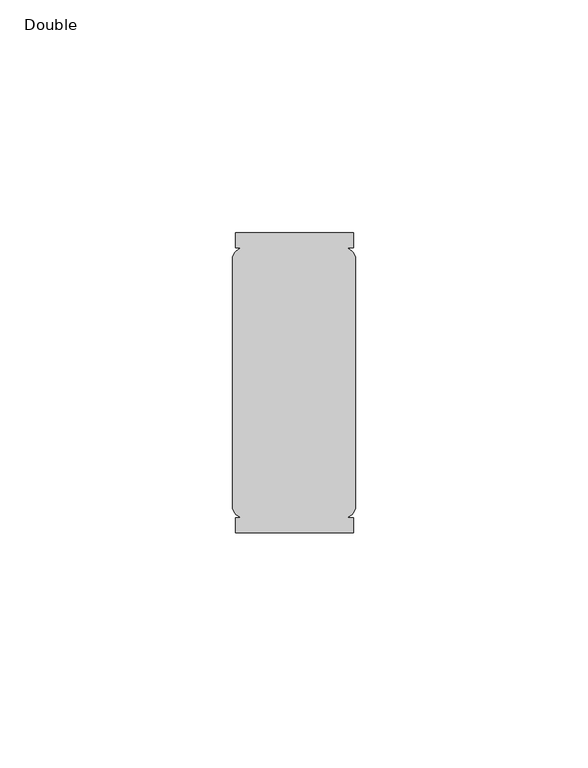
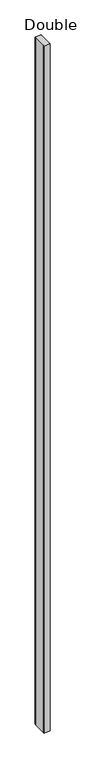
"""IFC4 building model written with IfcOpenShell, lengths in millimetres: furniture geometry, Double."""

from ifc_helpers import new_model, si_unit, point, frame, frame_2d, origin, place, context, project, spatial, polyline, circle_curve, trimmed, segment, composite_curve, outline, extrude, source, transform, mapped, element, save


def double_00490507(model_context):
    return source(origin(), model_context, "Body", "SweptSolid", [
        extrude(outline(composite_curve([segment(polyline([(-13.2844361, -22.5506771), (-13.2844361, 31.4914771)]), True, "CONTINUOUS"), segment(trimmed(circle_curve(frame_2d((-10.5835219, 30.7762858)), 2.794), [point((-13.2844361, 31.4914771))], [point((-11.2987132, 33.4772))], False, "CARTESIAN"), True, "CONTINUOUS"), segment(polyline([(-11.2987132, 33.4772), (-12.7, 33.4772), (-12.7, 36.6522), (12.7, 36.6522), (12.7, 33.4772), (11.0532868, 33.4772)]), True, "CONTINUOUS"), segment(trimmed(circle_curve(frame_2d((10.3380955, 30.7762858)), 2.794), [point((11.0532868, 33.4772))], [point((13.0390096, 31.4914771))], False, "CARTESIAN"), True, "CONTINUOUS"), segment(polyline([(13.0390096, 31.4914771), (13.0390096, -22.5506771)]), True, "CONTINUOUS"), segment(trimmed(circle_curve(frame_2d((10.3380955, -21.8354858)), 2.794), [point((13.0390096, -22.5506771))], [point((11.0532868, -24.5364))], False, "CARTESIAN"), True, "CONTINUOUS"), segment(polyline([(11.0532868, -24.5364), (12.7, -24.5364), (12.7, -27.7114), (-12.7, -27.7114), (-12.7, -24.5364), (-11.2987132, -24.5364)]), True, "CONTINUOUS"), segment(trimmed(circle_curve(frame_2d((-10.5835219, -21.8354858)), 2.794), [point((-11.2987132, -24.5364))], [point((-13.2844361, -22.5506771))], False, "CARTESIAN"), True, "CONTINUOUS")], self_intersect=False)), frame((0.0, 0.0, 29.718), z_axis=(0.0, 0.0, 1.0), x_axis=(1.0, 0.0, 0.0)), (0.0, 0.0, 1.0), 2958.735199),
    ])


if __name__ == "__main__":
    model = new_model("IFC4")
    model_context = context("Model", 3, world=origin())
    ifc_project = project(units=[si_unit("LENGTHUNIT", "METRE", prefix="MILLI")], contexts=[model_context])
    site = spatial("IfcSite", under=ifc_project)
    building = spatial("IfcBuilding", under=site)
    placement = place(None, origin())
    double_shape = double_00490507(model_context)
    element("IfcFurniture", 1, ObjectType="Double", at=placement, inside=building, context=model_context, shape_type="MappedRepresentation", body=[
        mapped(double_shape, transform((0.0, 0.0, 0.0), x_axis=(1.0, 0.0, 0.0), y_axis=(0.0, 1.0, 0.0), z_axis=(0.0, 0.0, 1.0))),
    ])
    save(model, "model.ifc")
